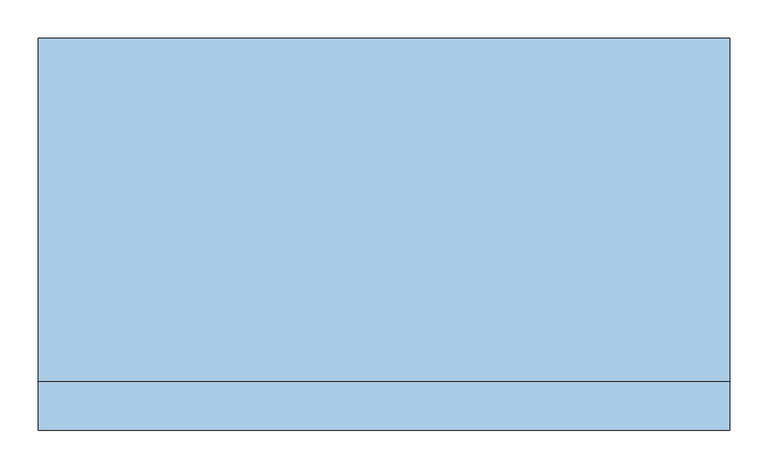
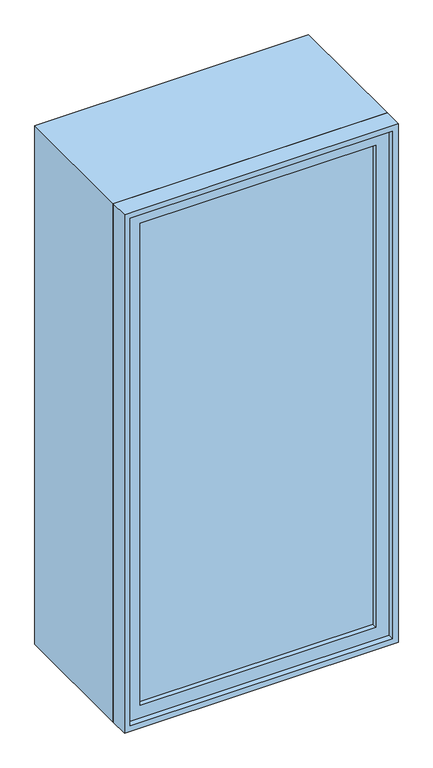
"""IFC4 building model written with IfcOpenShell, lengths in millimetres: window geometry."""

from ifc_helpers import new_model, si_unit, frame, origin, place, context, project, spatial, polyline, outline, extrude, source, transform, mapped, element, save


def window_44894f68(model_context):
    return source(origin(), model_context, "Body", "SweptSolid", [
        extrude(outline(polyline([(-387.0, -233.0), (-387.0, -221.0), (387.0, -221.0), (387.0, -233.0), (-387.0, -233.0)])), frame((0.0, 0.0, 368.0), z_axis=(0.0, 0.0, 1.0), x_axis=(1.0, 0.0, 0.0)), (0.0, 0.0, 1.0), 1674.0),
        extrude(outline(polyline([(2086.0, -431.0), (324.0, -431.0), (324.0, 431.0), (2086.0, 431.0), (2086.0, -431.0)]), holes=[polyline([(2042.0, -387.0), (2042.0, 387.0), (368.0, 387.0), (368.0, -387.0), (2042.0, -387.0)])]), frame((0.0, -249.0, 0.0), z_axis=(0.0, 1.0, 0.0), x_axis=(0.0, 0.0, 1.0)), (0.0, 0.0, 1.0), 44.0),
        extrude(outline(polyline([(2105.0, -450.0), (305.0, -450.0), (305.0, 450.0), (2105.0, 450.0), (2105.0, -450.0)]), holes=[polyline([(2086.0, -431.0), (2086.0, 431.0), (324.0, 431.0), (324.0, -431.0), (2086.0, -431.0)])]), frame((0.0, -268.0, 0.0), z_axis=(0.0, 1.0, 0.0), x_axis=(0.0, 0.0, 1.0)), (0.0, 0.0, 1.0), 63.0),
        extrude(outline(polyline([(2105.0, -450.0), (305.0, -450.0), (305.0, 450.0), (2105.0, 450.0), (2105.0, -450.0)]), holes=[polyline([(2073.0, -418.0), (2073.0, 418.0), (337.0, 418.0), (337.0, -418.0), (2073.0, -418.0)])]), frame((0.0, -205.0, 0.0), z_axis=(0.0, 1.0, 0.0), x_axis=(0.0, 0.0, 1.0)), (0.0, 0.0, 1.0), 447.0),
    ])


if __name__ == "__main__":
    model = new_model("IFC4")
    model_context = context("Model", 3, world=origin())
    ifc_project = project(units=[si_unit("LENGTHUNIT", "METRE", prefix="MILLI")], contexts=[model_context])
    site = spatial("IfcSite", under=ifc_project)
    building = spatial("IfcBuilding", under=site)
    placement = place(None, origin())
    window_shape = window_44894f68(model_context)
    element("IfcWindow", 1, at=placement, inside=building, context=model_context, shape_type="MappedRepresentation", body=[
        mapped(window_shape, transform((0.0, 0.0, 0.0), x_axis=(1.0, 0.0, 0.0), y_axis=(0.0, 1.0, 0.0), z_axis=(0.0, 0.0, 1.0))),
    ])
    save(model, "model.ifc")
